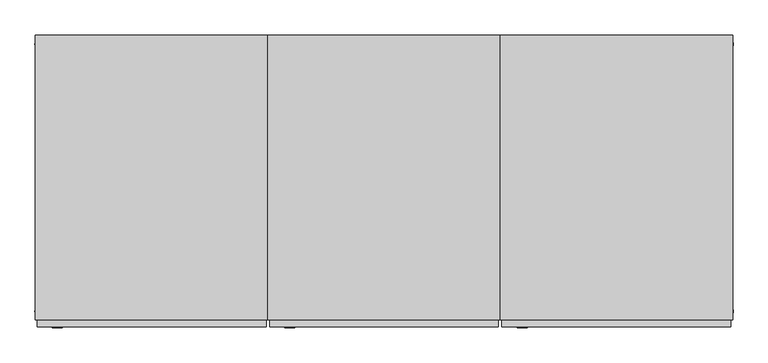
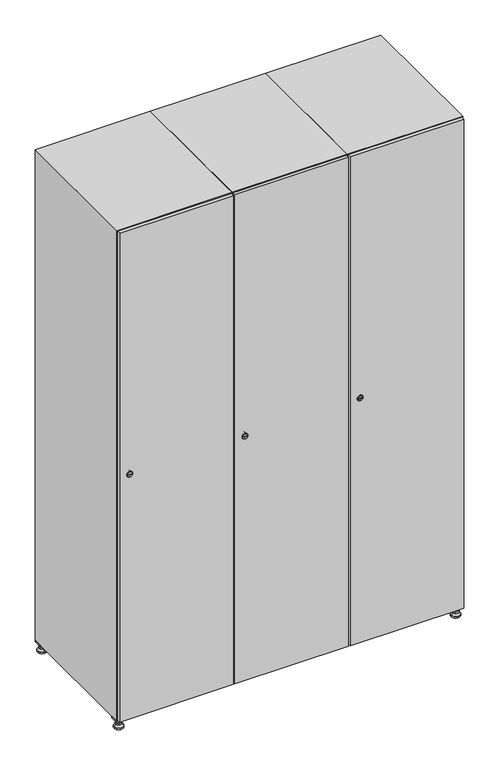
"""IFC4 building model written with IfcOpenShell, lengths in millimetres: furniture geometry."""

from ifc_helpers import new_model, si_unit, point, frame, frame_2d, origin, origin_with_axes, place, context, project, spatial, polyline, circle_curve, trimmed, segment, composite_curve, outline, extrude, faceted_brep, source, transform, mapped, element, save
from ifc_brep_helpers import plane_surface, revolved_surface, advanced_brep


def furniture_30f74f22(model_context):
    return source(origin(), model_context, "Body", "SolidModel", [
        extrude(outline(polyline([(1000.0, 245.0), (1000.0, 215.0), (970.0, 215.0), (970.0, 245.0), (1000.0, 245.0)]), holes=[polyline([(998.0, 243.0), (972.0, 243.0), (972.0, 217.0), (998.0, 217.0), (998.0, 243.0)])]), frame((0.0, 0.0, 28.5), z_axis=(0.0, 0.0, 1.0), x_axis=(1.0, 0.0, 0.0)), (0.0, 0.0, 1.0), 6.5),
        extrude(outline(polyline([(970.0, -245.0), (970.0, -215.0), (1000.0, -215.0), (1000.0, -245.0), (970.0, -245.0)]), holes=[polyline([(972.0, -243.0), (998.0, -243.0), (998.0, -217.0), (972.0, -217.0), (972.0, -243.0)])]), frame((0.0, 0.0, 28.5), z_axis=(0.0, 0.0, 1.0), x_axis=(1.0, 0.0, 0.0)), (0.0, 0.0, 1.0), 6.5),
        extrude(outline(polyline([(-170.0, 245.0), (-170.0, 215.0), (-200.0, 215.0), (-200.0, 245.0), (-170.0, 245.0)]), holes=[polyline([(-172.0, 243.0), (-198.0, 243.0), (-198.0, 217.0), (-172.0, 217.0), (-172.0, 243.0)])]), frame((0.0, 0.0, 28.5), z_axis=(0.0, 0.0, 1.0), x_axis=(1.0, 0.0, 0.0)), (0.0, 0.0, 1.0), 6.5),
        extrude(outline(polyline([(-170.0, -215.0), (-170.0, -245.0), (-200.0, -245.0), (-200.0, -215.0), (-170.0, -215.0)]), holes=[polyline([(-198.0, -243.0), (-172.0, -243.0), (-172.0, -217.0), (-198.0, -217.0), (-198.0, -243.0)])]), frame((0.0, 0.0, 28.5), z_axis=(0.0, 0.0, 1.0), x_axis=(1.0, 0.0, 0.0)), (0.0, 0.0, 1.0), 6.5),
        extrude(outline(composite_curve([segment(trimmed(circle_curve(frame_2d((-185.0, 230.0)), 5.0), [point((-180.0, 230.0))], [point((-190.0, 230.0))], False, "CARTESIAN"), True, "CONTINUOUS"), segment(trimmed(circle_curve(frame_2d((-185.0, 230.0)), 5.0), [point((-190.0, 230.0))], [point((-180.0, 230.0))], False, "CARTESIAN"), True, "CONTINUOUS")], self_intersect=False)), frame((0.0, 0.0, 19.6), z_axis=(0.0, 0.0, 1.0), x_axis=(1.0, 0.0, 0.0)), (0.0, 0.0, 1.0), 15.4),
        extrude(outline(composite_curve([segment(trimmed(circle_curve(frame_2d((-185.0, -230.0)), 5.0), [point((-180.0, -230.0))], [point((-190.0, -230.0))], False, "CARTESIAN"), True, "CONTINUOUS"), segment(trimmed(circle_curve(frame_2d((-185.0, -230.0)), 5.0), [point((-190.0, -230.0))], [point((-180.0, -230.0))], False, "CARTESIAN"), True, "CONTINUOUS")], self_intersect=False)), frame((0.0, 0.0, 19.6), z_axis=(0.0, 0.0, 1.0), x_axis=(1.0, 0.0, 0.0)), (0.0, 0.0, 1.0), 15.4),
        extrude(outline(composite_curve([segment(trimmed(circle_curve(frame_2d((985.0, 230.0)), 5.0), [point((990.0, 230.0))], [point((980.0, 230.0))], False, "CARTESIAN"), True, "CONTINUOUS"), segment(trimmed(circle_curve(frame_2d((985.0, 230.0)), 5.0), [point((980.0, 230.0))], [point((990.0, 230.0))], False, "CARTESIAN"), True, "CONTINUOUS")], self_intersect=False)), frame((0.0, 0.0, 19.6), z_axis=(0.0, 0.0, 1.0), x_axis=(1.0, 0.0, 0.0)), (0.0, 0.0, 1.0), 15.4),
        extrude(outline(polyline([(973.4529946, 230.0), (979.2264973, 240.0), (990.7735027, 240.0), (996.5470054, 230.0), (990.7735027, 220.0), (979.2264973, 220.0), (973.4529946, 230.0)])), frame((0.0, 0.0, 13.6), z_axis=(0.0, 0.0, 1.0), x_axis=(1.0, 0.0, 0.0)), (0.0, 0.0, 1.0), 6.0),
        extrude(outline(composite_curve([segment(trimmed(circle_curve(frame_2d((985.0, -230.0)), 5.0), [point((990.0, -230.0))], [point((980.0, -230.0))], False, "CARTESIAN"), True, "CONTINUOUS"), segment(trimmed(circle_curve(frame_2d((985.0, -230.0)), 5.0), [point((980.0, -230.0))], [point((990.0, -230.0))], False, "CARTESIAN"), True, "CONTINUOUS")], self_intersect=False)), frame((0.0, 0.0, 19.6), z_axis=(0.0, 0.0, 1.0), x_axis=(1.0, 0.0, 0.0)), (0.0, 0.0, 1.0), 15.4),
        extrude(outline(polyline([(973.4529946, -230.0), (979.2264973, -220.0), (990.7735027, -220.0), (996.5470054, -230.0), (990.7735027, -240.0), (979.2264973, -240.0), (973.4529946, -230.0)])), frame((0.0, 0.0, 13.6), z_axis=(0.0, 0.0, 1.0), x_axis=(1.0, 0.0, 0.0)), (0.0, 0.0, 1.0), 6.0),
        extrude(outline(composite_curve([segment(trimmed(circle_curve(frame_2d((985.0, 230.0)), 5.0), [point((990.0, 230.0))], [point((980.0, 230.0))], False, "CARTESIAN"), True, "CONTINUOUS"), segment(trimmed(circle_curve(frame_2d((985.0, 230.0)), 5.0), [point((980.0, 230.0))], [point((990.0, 230.0))], False, "CARTESIAN"), True, "CONTINUOUS")], self_intersect=False)), frame((0.0, 0.0, 12.1), z_axis=(0.0, 0.0, 1.0), x_axis=(1.0, 0.0, 0.0)), (0.0, 0.0, 1.0), 1.5),
        extrude(outline(composite_curve([segment(trimmed(circle_curve(frame_2d((985.0, -230.0)), 5.0), [point((990.0, -230.0))], [point((980.0, -230.0))], False, "CARTESIAN"), True, "CONTINUOUS"), segment(trimmed(circle_curve(frame_2d((985.0, -230.0)), 5.0), [point((980.0, -230.0))], [point((990.0, -230.0))], False, "CARTESIAN"), True, "CONTINUOUS")], self_intersect=False)), frame((0.0, 0.0, 12.1), z_axis=(0.0, 0.0, 1.0), x_axis=(1.0, 0.0, 0.0)), (0.0, 0.0, 1.0), 1.5),
        extrude(outline(polyline([(-196.5470054, 230.0), (-190.7735027, 240.0), (-179.2264973, 240.0), (-173.4529946, 230.0), (-179.2264973, 220.0), (-190.7735027, 220.0), (-196.5470054, 230.0)])), frame((0.0, 0.0, 13.6), z_axis=(0.0, 0.0, 1.0), x_axis=(1.0, 0.0, 0.0)), (0.0, 0.0, 1.0), 6.0),
        extrude(outline(polyline([(-196.5470054, -230.0), (-190.7735027, -220.0), (-179.2264973, -220.0), (-173.4529946, -230.0), (-179.2264973, -240.0), (-190.7735027, -240.0), (-196.5470054, -230.0)])), frame((0.0, 0.0, 13.6), z_axis=(0.0, 0.0, 1.0), x_axis=(1.0, 0.0, 0.0)), (0.0, 0.0, 1.0), 6.0),
        extrude(outline(composite_curve([segment(trimmed(circle_curve(frame_2d((-185.0, 230.0)), 5.0), [point((-185.0, 235.0))], [point((-185.0, 225.0))], False, "CARTESIAN"), True, "CONTINUOUS"), segment(trimmed(circle_curve(frame_2d((-185.0, 230.0)), 5.0), [point((-185.0, 225.0))], [point((-185.0, 235.0))], False, "CARTESIAN"), True, "CONTINUOUS")], self_intersect=False)), frame((0.0, 0.0, 12.1), z_axis=(0.0, 0.0, 1.0), x_axis=(1.0, 0.0, 0.0)), (0.0, 0.0, 1.0), 1.5),
        extrude(outline(composite_curve([segment(trimmed(circle_curve(frame_2d((-185.0, -230.0)), 5.0), [point((-180.0, -230.0))], [point((-190.0, -230.0))], False, "CARTESIAN"), True, "CONTINUOUS"), segment(trimmed(circle_curve(frame_2d((-185.0, -230.0)), 5.0), [point((-190.0, -230.0))], [point((-180.0, -230.0))], False, "CARTESIAN"), True, "CONTINUOUS")], self_intersect=False)), frame((0.0, 0.0, 12.1), z_axis=(0.0, 0.0, 1.0), x_axis=(1.0, 0.0, 0.0)), (0.0, 0.0, 1.0), 1.5),
        extrude(outline(composite_curve([segment(trimmed(circle_curve(frame_2d((985.0, 230.0)), 15.75), [point((1000.75, 230.0))], [point((969.25, 230.0))], False, "CARTESIAN"), True, "CONTINUOUS"), segment(trimmed(circle_curve(frame_2d((985.0, 230.0)), 15.75), [point((969.25, 230.0))], [point((1000.75, 230.0))], False, "CARTESIAN"), True, "CONTINUOUS")], self_intersect=False)), origin_with_axes(), (0.0, 0.0, 1.0), 5.1),
        extrude(outline(composite_curve([segment(trimmed(circle_curve(frame_2d((985.0, -230.0)), 15.75), [point((985.0, -214.25))], [point((985.0, -245.75))], False, "CARTESIAN"), True, "CONTINUOUS"), segment(trimmed(circle_curve(frame_2d((985.0, -230.0)), 15.75), [point((985.0, -245.75))], [point((985.0, -214.25))], False, "CARTESIAN"), True, "CONTINUOUS")], self_intersect=False)), origin_with_axes(), (0.0, 0.0, 1.0), 5.1),
        extrude(outline(composite_curve([segment(trimmed(circle_curve(frame_2d((-185.0, -230.0)), 15.75), [point((-169.25, -230.0))], [point((-200.75, -230.0))], False, "CARTESIAN"), True, "CONTINUOUS"), segment(trimmed(circle_curve(frame_2d((-185.0, -230.0)), 15.75), [point((-200.75, -230.0))], [point((-169.25, -230.0))], False, "CARTESIAN"), True, "CONTINUOUS")], self_intersect=False)), origin_with_axes(), (0.0, 0.0, 1.0), 5.1),
        extrude(outline(composite_curve([segment(trimmed(circle_curve(frame_2d((-185.0, 230.0)), 15.75), [point((-169.25, 230.0))], [point((-200.75, 230.0))], False, "CARTESIAN"), True, "CONTINUOUS"), segment(trimmed(circle_curve(frame_2d((-185.0, 230.0)), 15.75), [point((-200.75, 230.0))], [point((-169.25, 230.0))], False, "CARTESIAN"), True, "CONTINUOUS")], self_intersect=False)), origin_with_axes(), (0.0, 0.0, 1.0), 5.1),
        advanced_brep(
        [(-185.0, 239.5, 12.1), (-185.0, 220.5, 12.1), (-185.0, 214.25, 5.1), (-185.0, 245.75, 5.1)],
        [
            (0, 1, circle_curve(frame((-185.0, 230.0, 12.1), z_axis=(0.0, 0.0, -1.0), x_axis=(0.0, 1.0, 0.0)), 9.5)),
            (1, 2),
            (2, 3, circle_curve(frame((-185.0, 230.0, 5.1), z_axis=(0.0, 0.0, 1.0), x_axis=(0.0, 1.0, 0.0)), 15.75)),
            (3, 0),
            (1, 0, circle_curve(frame((-185.0, 230.0, 12.1), z_axis=(0.0, 0.0, -1.0), x_axis=(0.0, -1.0, 0.0)), 9.5)),
            (3, 2, circle_curve(frame((-185.0, 230.0, 5.1), z_axis=(0.0, 0.0, 1.0), x_axis=(0.0, -1.0, 0.0)), 15.75)),
        ],
        [
            revolved_surface(polyline([(-185.0, 220.5, 12.099999999999998), (-185.0, 214.25, 5.099999999999998)]), (-185.0, 230.0, 22.74), (0.0, 0.0, -1.0)),
            revolved_surface(polyline([(-185.0, 239.5, 12.099999999999998), (-185.0, 245.75, 5.099999999999998)]), (-185.0, 230.0, 22.74), (0.0, 0.0, -1.0)),
            plane_surface(frame((-185.0, 230.0, 5.1), z_axis=(0.0, 0.0, -1.0), x_axis=(1.0, 0.0, 0.0))),
            plane_surface(frame((-185.0, 230.0, 12.1), z_axis=(0.0, 0.0, 1.0), x_axis=(1.0, 0.0, 0.0))),
        ],
        [
            (0, [[1, 2, 3, 4]]),
            (1, [[5, -4, 6, -2]]),
            (2, [[-3, -6]]),
            (3, [[-5, -1]]),
        ],
    ),
        advanced_brep(
        [(985.0, 239.5, 12.1), (985.0, 220.5, 12.1), (985.0, 214.25, 5.1), (985.0, 245.75, 5.1)],
        [
            (0, 1, circle_curve(frame((985.0, 230.0, 12.1), z_axis=(0.0, 0.0, -1.0), x_axis=(0.0, 1.0, 0.0)), 9.5)),
            (1, 2),
            (2, 3, circle_curve(frame((985.0, 230.0, 5.1), z_axis=(0.0, 0.0, 1.0), x_axis=(0.0, 1.0, 0.0)), 15.75)),
            (3, 0),
            (1, 0, circle_curve(frame((985.0, 230.0, 12.1), z_axis=(0.0, 0.0, -1.0), x_axis=(0.0, -1.0, 0.0)), 9.5)),
            (3, 2, circle_curve(frame((985.0, 230.0, 5.1), z_axis=(0.0, 0.0, 1.0), x_axis=(0.0, -1.0, 0.0)), 15.75)),
        ],
        [
            revolved_surface(polyline([(985.0, 220.5, 12.099999999999998), (985.0, 214.25, 5.099999999999998)]), (985.0, 230.0, 22.74), (0.0, 0.0, -1.0)),
            revolved_surface(polyline([(985.0, 239.5, 12.099999999999998), (985.0, 245.75, 5.099999999999998)]), (985.0, 230.0, 22.74), (0.0, 0.0, -1.0)),
            plane_surface(frame((985.0, 230.0, 5.1), z_axis=(0.0, 0.0, -1.0), x_axis=(1.0, 0.0, 0.0))),
            plane_surface(frame((985.0, 230.0, 12.1), z_axis=(0.0, 0.0, 1.0), x_axis=(1.0, 0.0, 0.0))),
        ],
        [
            (0, [[1, 2, 3, 4]]),
            (1, [[5, -4, 6, -2]]),
            (2, [[-3, -6]]),
            (3, [[-5, -1]]),
        ],
    ),
        advanced_brep(
        [(1000.75, -230.0, 5.1), (969.25, -230.0, 5.1), (975.5, -230.0, 12.1), (994.5, -230.0, 12.1)],
        [
            (0, 1, circle_curve(frame((985.0, -230.0, 5.1), z_axis=(0.0, 0.0, 1.0), x_axis=(1.0, 0.0, 0.0)), 15.75)),
            (1, 2),
            (2, 3, circle_curve(frame((985.0, -230.0, 12.1), z_axis=(0.0, 0.0, -1.0), x_axis=(1.0, 0.0, 0.0)), 9.5)),
            (3, 0),
            (1, 0, circle_curve(frame((985.0, -230.0, 5.1), z_axis=(0.0, 0.0, 1.0), x_axis=(-1.0, 0.0, 0.0)), 15.75)),
            (3, 2, circle_curve(frame((985.0, -230.0, 12.1), z_axis=(0.0, 0.0, -1.0), x_axis=(-1.0, 0.0, 0.0)), 9.5)),
        ],
        [
            revolved_surface(polyline([(994.5, -230.0, 12.099999999999998), (1000.75, -230.0, 5.099999999999998)]), (985.0, -230.0, 22.74), (0.0, 0.0, -1.0)),
            revolved_surface(polyline([(975.5, -230.0, 12.099999999999998), (969.25, -230.0, 5.099999999999998)]), (985.0, -230.0, 22.74), (0.0, 0.0, -1.0)),
            plane_surface(frame((985.0, -230.0, 12.1), z_axis=(0.0, 0.0, 1.0), x_axis=(0.0, 1.0, 0.0))),
            plane_surface(frame((985.0, -230.0, 5.1), z_axis=(0.0, 0.0, -1.0), x_axis=(0.0, 1.0, 0.0))),
        ],
        [
            (0, [[1, 2, 3, 4]]),
            (1, [[5, -4, 6, -2]]),
            (2, [[-3, -6]]),
            (3, [[-5, -1]]),
        ],
    ),
        advanced_brep(
        [(-169.25, -230.0, 5.1), (-200.75, -230.0, 5.1), (-194.5, -230.0, 12.1), (-175.5, -230.0, 12.1)],
        [
            (0, 1, circle_curve(frame((-185.0, -230.0, 5.1), z_axis=(0.0, 0.0, 1.0), x_axis=(1.0, 0.0, 0.0)), 15.75)),
            (1, 2),
            (2, 3, circle_curve(frame((-185.0, -230.0, 12.1), z_axis=(0.0, 0.0, -1.0), x_axis=(1.0, 0.0, 0.0)), 9.5)),
            (3, 0),
            (1, 0, circle_curve(frame((-185.0, -230.0, 5.1), z_axis=(0.0, 0.0, 1.0), x_axis=(-1.0, 0.0, 0.0)), 15.75)),
            (3, 2, circle_curve(frame((-185.0, -230.0, 12.1), z_axis=(0.0, 0.0, -1.0), x_axis=(-1.0, 0.0, 0.0)), 9.5)),
        ],
        [
            revolved_surface(polyline([(-175.5, -230.0, 12.099999999999998), (-169.25, -230.0, 5.099999999999998)]), (-185.0, -230.0, 22.74), (0.0, 0.0, -1.0)),
            revolved_surface(polyline([(-194.5, -230.0, 12.099999999999998), (-200.75, -230.0, 5.099999999999998)]), (-185.0, -230.0, 22.74), (0.0, 0.0, -1.0)),
            plane_surface(frame((-185.0, -230.0, 12.1), z_axis=(0.0, 0.0, 1.0), x_axis=(0.0, 1.0, 0.0))),
            plane_surface(frame((-185.0, -230.0, 5.1), z_axis=(0.0, 0.0, -1.0), x_axis=(0.0, 1.0, 0.0))),
        ],
        [
            (0, [[1, 2, 3, 4]]),
            (1, [[5, -4, 6, -2]]),
            (2, [[-3, -6]]),
            (3, [[-5, -1]]),
        ],
    ),
        extrude(outline(composite_curve([segment(trimmed(circle_curve(frame_2d((935.0, 611.2010534)), 7.0), [point((942.0, 611.2010534))], [point((928.0, 611.2010534))], False, "CARTESIAN"), True, "CONTINUOUS"), segment(polyline([(928.0, 611.2010534), (928.0, 639.2010534)]), True, "CONTINUOUS"), segment(trimmed(circle_curve(frame_2d((935.0, 639.2010534)), 7.0), [point((928.0, 639.2010534))], [point((942.0, 639.2010534))], False, "CARTESIAN"), True, "CONTINUOUS"), segment(polyline([(942.0, 639.2010534), (942.0, 611.2010534)]), True, "CONTINUOUS")], self_intersect=False)), frame((0.0, -245.0, 0.0), z_axis=(0.0, 1.0, 0.0), x_axis=(0.0, 0.0, 1.0)), (0.0, 0.0, 1.0), 2.0),
        advanced_brep(
        [(646.5, -259.2, 935.0), (629.5, -259.2, 935.0), (633.0, -259.2, 933.75), (633.0, -259.2, 936.25), (643.0, -259.2, 936.25), (643.0, -259.2, 933.75), (648.5, -257.0, 935.0), (627.5, -257.0, 935.0), (633.0, -257.0, 936.25), (633.0, -257.0, 933.75), (643.0, -257.0, 933.75), (643.0, -257.0, 936.25)],
        [
            (0, 1, circle_curve(frame((638.0, -259.2, 935.0), z_axis=(0.0, -1.0, 0.0), x_axis=(1.0, 0.0, 0.0)), 8.5)),
            (1, 0, circle_curve(frame((638.0, -259.2, 935.0), z_axis=(0.0, -1.0, 0.0), x_axis=(-1.0, 0.0, 0.0)), 8.5)),
            (2, 3),
            (3, 4),
            (4, 5),
            (5, 2),
            (6, 7, circle_curve(frame((638.0, -257.0, 935.0), z_axis=(0.0, 1.0, 0.0), x_axis=(-1.0, 0.0, 0.0)), 10.5)),
            (7, 6, circle_curve(frame((638.0, -257.0, 935.0), z_axis=(0.0, 1.0, 0.0), x_axis=(1.0, 0.0, 0.0)), 10.5)),
            (8, 9),
            (9, 10),
            (10, 11),
            (11, 8),
            (0, 6),
            (7, 1),
            (8, 3),
            (2, 9),
            (11, 4),
            (10, 5),
        ],
        [
            plane_surface(frame((638.0, -259.2, 935.0), z_axis=(0.0, -1.0, 0.0), x_axis=(0.0, 0.0, 1.0))),
            plane_surface(frame((638.0, -257.0, 935.0), z_axis=(0.0, 1.0, 0.0), x_axis=(0.0, 0.0, 1.0))),
            revolved_surface(polyline([(646.5, -259.2, 935.0), (648.5, -257.0, 935.0)]), (638.0, -268.55, 935.0), (0.0, 1.0, 0.0)),
            revolved_surface(polyline([(629.5, -259.2, 935.0), (627.5, -257.0, 935.0)]), (638.0, -268.55, 935.0), (0.0, 1.0, 0.0)),
            plane_surface(frame((633.0, -257.0, 933.75), z_axis=(1.0, 0.0, 0.0), x_axis=(0.0, -1.0, 0.0))),
            plane_surface(frame((633.0, -257.0, 936.25), z_axis=(0.0, 0.0, -1.0), x_axis=(0.0, -1.0, 0.0))),
            plane_surface(frame((643.0, -257.0, 936.25), z_axis=(-1.0, 0.0, 0.0), x_axis=(0.0, -1.0, 0.0))),
            plane_surface(frame((643.0, -257.0, 933.75), z_axis=(0.0, 0.0, 1.0), x_axis=(0.0, -1.0, 0.0))),
        ],
        [
            (0, [[1, 2], [3, 4, 5, 6]]),
            (1, [[7, 8], [9, 10, 11, 12]]),
            (2, [[-1, 13, -8, 14]]),
            (3, [[-2, -14, -7, -13]]),
            (4, [[15, -3, 16, -9]]),
            (5, [[-15, -12, 17, -4]]),
            (6, [[-17, -11, 18, -5]]),
            (7, [[-16, -6, -18, -10]]),
        ],
    ),
        extrude(outline(polyline([(997.0, -245.0), (997.0, -257.0), (603.0, -257.0), (603.0, -245.0), (997.0, -245.0)])), frame((0.0, 0.0, 38.0), z_axis=(0.0, 0.0, 1.0), x_axis=(1.0, 0.0, 0.0)), (0.0, 0.0, 1.0), 1794.0),
        faceted_brep([(1000.0, -245.0, 35.0), (1000.0, -245.0, 1835.0), (600.0, -245.0, 1835.0), (600.0, -245.0, 35.0), (979.6, -245.0, 1804.8), (979.6, -245.0, 65.2), (620.4, -245.0, 65.2), (620.4, -245.0, 1804.8), (1000.0, 245.0, 35.0), (600.0, 245.0, 35.0), (1000.0, 245.0, 1835.0), (600.0, 245.0, 1835.0), (979.6, 242.0, 1804.8), (979.6, 242.0, 65.2), (600.0, 245.0, 1804.8), (620.4, 242.0, 1804.8), (620.4, 242.0, 65.2)], [[[0, 1, 2, 3], [4, 5, 6, 7]], [[8, 0, 3, 9]], [[1, 0, 8, 10]], [[1, 10, 11, 2]], [[4, 12, 13, 5]], [[9, 3, 2, 11, 14]], [[10, 8, 9, 14, 11]], [[12, 15, 16, 13]], [[15, 7, 6, 16]], [[4, 7, 15, 12]], [[6, 5, 13, 16]]]),
        extrude(outline(composite_curve([segment(trimmed(circle_curve(frame_2d((935.0, 211.2010534)), 7.0), [point((942.0, 211.2010534))], [point((928.0, 211.2010534))], False, "CARTESIAN"), True, "CONTINUOUS"), segment(polyline([(928.0, 211.2010534), (928.0, 239.2010534)]), True, "CONTINUOUS"), segment(trimmed(circle_curve(frame_2d((935.0, 239.2010534)), 7.0), [point((928.0, 239.2010534))], [point((942.0, 239.2010534))], False, "CARTESIAN"), True, "CONTINUOUS"), segment(polyline([(942.0, 239.2010534), (942.0, 211.2010534)]), True, "CONTINUOUS")], self_intersect=False)), frame((0.0, -245.0, 0.0), z_axis=(0.0, 1.0, 0.0), x_axis=(0.0, 0.0, 1.0)), (0.0, 0.0, 1.0), 2.0),
        advanced_brep(
        [(246.5, -259.2, 935.0), (229.5, -259.2, 935.0), (233.0, -259.2, 933.75), (233.0, -259.2, 936.25), (243.0, -259.2, 936.25), (243.0, -259.2, 933.75), (248.5, -257.0, 935.0), (227.5, -257.0, 935.0), (233.0, -257.0, 936.25), (233.0, -257.0, 933.75), (243.0, -257.0, 933.75), (243.0, -257.0, 936.25)],
        [
            (0, 1, circle_curve(frame((238.0, -259.2, 935.0), z_axis=(0.0, -1.0, 0.0), x_axis=(1.0, 0.0, 0.0)), 8.5)),
            (1, 0, circle_curve(frame((238.0, -259.2, 935.0), z_axis=(0.0, -1.0, 0.0), x_axis=(-1.0, 0.0, 0.0)), 8.5)),
            (2, 3),
            (3, 4),
            (4, 5),
            (5, 2),
            (6, 7, circle_curve(frame((238.0, -257.0, 935.0), z_axis=(0.0, 1.0, 0.0), x_axis=(-1.0, 0.0, 0.0)), 10.5)),
            (7, 6, circle_curve(frame((238.0, -257.0, 935.0), z_axis=(0.0, 1.0, 0.0), x_axis=(1.0, 0.0, 0.0)), 10.5)),
            (8, 9),
            (9, 10),
            (10, 11),
            (11, 8),
            (0, 6),
            (7, 1),
            (8, 3),
            (2, 9),
            (11, 4),
            (10, 5),
        ],
        [
            plane_surface(frame((238.0, -259.2, 935.0), z_axis=(0.0, -1.0, 0.0), x_axis=(0.0, 0.0, 1.0))),
            plane_surface(frame((238.0, -257.0, 935.0), z_axis=(0.0, 1.0, 0.0), x_axis=(0.0, 0.0, 1.0))),
            revolved_surface(polyline([(246.5, -259.2, 935.0), (248.5, -257.0, 935.0)]), (238.0, -268.55, 935.0), (0.0, 1.0, 0.0)),
            revolved_surface(polyline([(229.5, -259.2, 935.0), (227.5, -257.0, 935.0)]), (238.0, -268.55, 935.0), (0.0, 1.0, 0.0)),
            plane_surface(frame((233.0, -257.0, 933.75), z_axis=(1.0, 0.0, 0.0), x_axis=(0.0, -1.0, 0.0))),
            plane_surface(frame((233.0, -257.0, 936.25), z_axis=(0.0, 0.0, -1.0), x_axis=(0.0, -1.0, 0.0))),
            plane_surface(frame((243.0, -257.0, 936.25), z_axis=(-1.0, 0.0, 0.0), x_axis=(0.0, -1.0, 0.0))),
            plane_surface(frame((243.0, -257.0, 933.75), z_axis=(0.0, 0.0, 1.0), x_axis=(0.0, -1.0, 0.0))),
        ],
        [
            (0, [[1, 2], [3, 4, 5, 6]]),
            (1, [[7, 8], [9, 10, 11, 12]]),
            (2, [[-1, 13, -8, 14]]),
            (3, [[-2, -14, -7, -13]]),
            (4, [[15, -3, 16, -9]]),
            (5, [[-15, -12, 17, -4]]),
            (6, [[-17, -11, 18, -5]]),
            (7, [[-16, -6, -18, -10]]),
        ],
    ),
        extrude(outline(polyline([(597.0, -245.0), (597.0, -257.0), (203.0, -257.0), (203.0, -245.0), (597.0, -245.0)])), frame((0.0, 0.0, 38.0), z_axis=(0.0, 0.0, 1.0), x_axis=(1.0, 0.0, 0.0)), (0.0, 0.0, 1.0), 1794.0),
        faceted_brep([(600.0, -245.0, 35.0), (600.0, -245.0, 1835.0), (200.0, -245.0, 1835.0), (200.0, -245.0, 35.0), (579.6, -245.0, 1804.8), (579.6, -245.0, 65.2), (220.4, -245.0, 65.2), (220.4, -245.0, 1804.8), (600.0, 245.0, 35.0), (200.0, 245.0, 35.0), (600.0, 245.0, 1835.0), (200.0, 245.0, 1835.0), (579.6, 242.0, 1804.8), (579.6, 242.0, 65.2), (200.0, 245.0, 1804.8), (220.4, 242.0, 1804.8), (220.4, 242.0, 65.2)], [[[0, 1, 2, 3], [4, 5, 6, 7]], [[8, 0, 3, 9]], [[1, 0, 8, 10]], [[1, 10, 11, 2]], [[4, 12, 13, 5]], [[9, 3, 2, 11, 14]], [[10, 8, 9, 14, 11]], [[12, 15, 16, 13]], [[15, 7, 6, 16]], [[4, 7, 15, 12]], [[6, 5, 13, 16]]]),
        extrude(outline(composite_curve([segment(trimmed(circle_curve(frame_2d((935.0, -188.7989466)), 7.0), [point((942.0, -188.7989466))], [point((928.0, -188.7989466))], False, "CARTESIAN"), True, "CONTINUOUS"), segment(polyline([(928.0, -188.7989466), (928.0, -160.7989466)]), True, "CONTINUOUS"), segment(trimmed(circle_curve(frame_2d((935.0, -160.7989466)), 7.0), [point((928.0, -160.7989466))], [point((942.0, -160.7989466))], False, "CARTESIAN"), True, "CONTINUOUS"), segment(polyline([(942.0, -160.7989466), (942.0, -188.7989466)]), True, "CONTINUOUS")], self_intersect=False)), frame((0.0, -245.0, 0.0), z_axis=(0.0, 1.0, 0.0), x_axis=(0.0, 0.0, 1.0)), (0.0, 0.0, 1.0), 2.0),
        advanced_brep(
        [(-153.5, -259.2, 935.0), (-170.5, -259.2, 935.0), (-167.0, -259.2, 933.75), (-167.0, -259.2, 936.25), (-157.0, -259.2, 936.25), (-157.0, -259.2, 933.75), (-151.5, -257.0, 935.0), (-172.5, -257.0, 935.0), (-167.0, -257.0, 936.25), (-167.0, -257.0, 933.75), (-157.0, -257.0, 933.75), (-157.0, -257.0, 936.25)],
        [
            (0, 1, circle_curve(frame((-162.0, -259.2, 935.0), z_axis=(0.0, -1.0, 0.0), x_axis=(1.0, 0.0, 0.0)), 8.5)),
            (1, 0, circle_curve(frame((-162.0, -259.2, 935.0), z_axis=(0.0, -1.0, 0.0), x_axis=(-1.0, 0.0, 0.0)), 8.5)),
            (2, 3),
            (3, 4),
            (4, 5),
            (5, 2),
            (6, 7, circle_curve(frame((-162.0, -257.0, 935.0), z_axis=(0.0, 1.0, 0.0), x_axis=(-1.0, 0.0, 0.0)), 10.5)),
            (7, 6, circle_curve(frame((-162.0, -257.0, 935.0), z_axis=(0.0, 1.0, 0.0), x_axis=(1.0, 0.0, 0.0)), 10.5)),
            (8, 9),
            (9, 10),
            (10, 11),
            (11, 8),
            (0, 6),
            (7, 1),
            (8, 3),
            (2, 9),
            (11, 4),
            (10, 5),
        ],
        [
            plane_surface(frame((-162.0, -259.2, 935.0), z_axis=(0.0, -1.0, 0.0), x_axis=(0.0, 0.0, 1.0))),
            plane_surface(frame((-162.0, -257.0, 935.0), z_axis=(0.0, 1.0, 0.0), x_axis=(0.0, 0.0, 1.0))),
            revolved_surface(polyline([(-153.5, -259.2, 935.0), (-151.5, -257.0, 935.0)]), (-162.0, -268.55, 935.0), (0.0, 1.0, 0.0)),
            revolved_surface(polyline([(-170.5, -259.2, 935.0), (-172.5, -257.0, 935.0)]), (-162.0, -268.55, 935.0), (0.0, 1.0, 0.0)),
            plane_surface(frame((-167.0, -257.0, 933.75), z_axis=(1.0, 0.0, 0.0), x_axis=(0.0, -1.0, 0.0))),
            plane_surface(frame((-167.0, -257.0, 936.25), z_axis=(0.0, 0.0, -1.0), x_axis=(0.0, -1.0, 0.0))),
            plane_surface(frame((-157.0, -257.0, 936.25), z_axis=(-1.0, 0.0, 0.0), x_axis=(0.0, -1.0, 0.0))),
            plane_surface(frame((-157.0, -257.0, 933.75), z_axis=(0.0, 0.0, 1.0), x_axis=(0.0, -1.0, 0.0))),
        ],
        [
            (0, [[1, 2], [3, 4, 5, 6]]),
            (1, [[7, 8], [9, 10, 11, 12]]),
            (2, [[-1, 13, -8, 14]]),
            (3, [[-2, -14, -7, -13]]),
            (4, [[15, -3, 16, -9]]),
            (5, [[-15, -12, 17, -4]]),
            (6, [[-17, -11, 18, -5]]),
            (7, [[-16, -6, -18, -10]]),
        ],
    ),
        extrude(outline(polyline([(197.0, -245.0), (197.0, -257.0), (-197.0, -257.0), (-197.0, -245.0), (197.0, -245.0)])), frame((0.0, 0.0, 38.0), z_axis=(0.0, 0.0, 1.0), x_axis=(1.0, 0.0, 0.0)), (0.0, 0.0, 1.0), 1794.0),
        faceted_brep([(200.0, -245.0, 35.0), (200.0, -245.0, 1835.0), (-200.0, -245.0, 1835.0), (-200.0, -245.0, 35.0), (179.6, -245.0, 1804.8), (179.6, -245.0, 65.2), (-179.6, -245.0, 65.2), (-179.6, -245.0, 1804.8), (200.0, 245.0, 35.0), (-200.0, 245.0, 35.0), (200.0, 245.0, 1835.0), (-200.0, 245.0, 1835.0), (179.6, 242.0, 1804.8), (179.6, 242.0, 65.2), (-200.0, 245.0, 1804.8), (-179.6, 242.0, 1804.8), (-179.6, 242.0, 65.2)], [[[0, 1, 2, 3], [4, 5, 6, 7]], [[8, 0, 3, 9]], [[1, 0, 8, 10]], [[1, 10, 11, 2]], [[4, 12, 13, 5]], [[9, 3, 2, 11, 14]], [[10, 8, 9, 14, 11]], [[12, 15, 16, 13]], [[15, 7, 6, 16]], [[4, 7, 15, 12]], [[6, 5, 13, 16]]]),
    ])


if __name__ == "__main__":
    model = new_model("IFC4")
    model_context = context("Model", 3, world=origin())
    ifc_project = project(units=[si_unit("LENGTHUNIT", "METRE", prefix="MILLI")], contexts=[model_context])
    site = spatial("IfcSite", under=ifc_project)
    building = spatial("IfcBuilding", under=site)
    placement = place(None, origin())
    furniture_shape = furniture_30f74f22(model_context)
    element("IfcFurniture", 1, at=placement, inside=building, context=model_context, shape_type="MappedRepresentation", body=[
        mapped(furniture_shape, transform((0.0, 0.0, 0.0), x_axis=(1.0, 0.0, 0.0), y_axis=(0.0, 1.0, 0.0), z_axis=(0.0, 0.0, 1.0))),
    ])
    save(model, "model.ifc")
